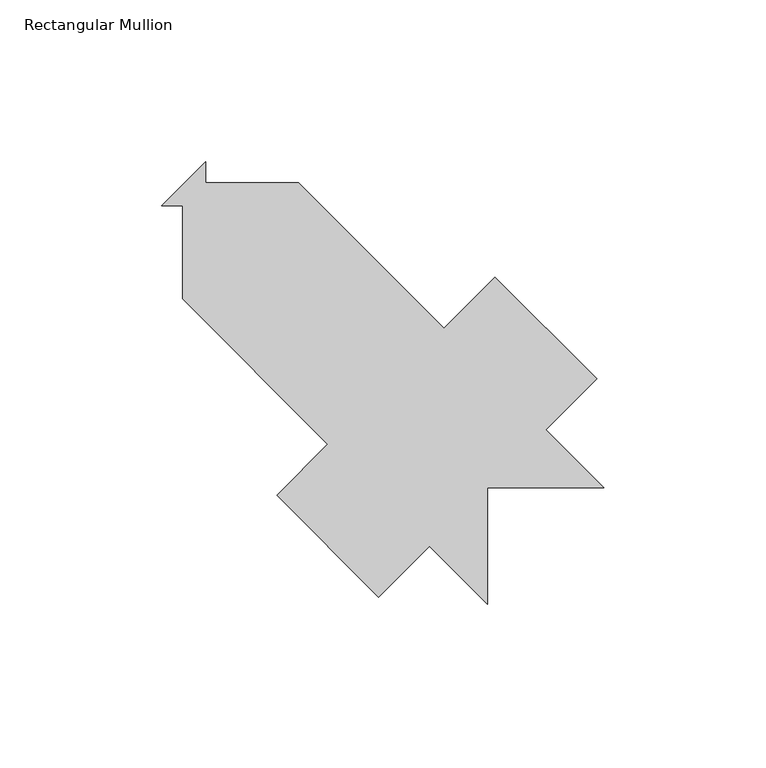
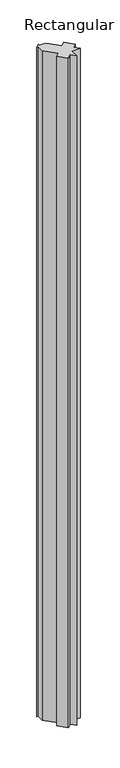
"""IFC4 building model written with IfcOpenShell, lengths in millimetres: member geometry, Rectangular Mullion."""

from ifc_helpers import new_model, si_unit, point, frame, frame_2d, origin, place, context, project, spatial, polyline, circle_curve, trimmed, segment, composite_curve, outline, extrude, source, transform, mapped, element, save


def rectangular_mullion_0ab6473c(model_context):
    return source(origin(), model_context, "Body", "SweptSolid", [
        extrude(outline(composite_curve([segment(polyline([(-35.9055594, -115.7861721), (-35.9055594, -151.6546403), (-53.8660692, -133.6941256), (-69.5815196, -149.4095717), (-101.0124117, -117.978671), (-85.2969614, -102.2632249), (-130.1888238, -57.3713502), (-130.1888238, -28.547406), (-136.5415891, -28.547406)]), True, "CONTINUOUS"), segment(trimmed(circle_curve(frame_2d((-212.9914429, 62.231678)), 118.6820215), [point((-136.5415891, -28.547406))], [point((-122.9631317, -15.1008857))], True, "CARTESIAN"), True, "CONTINUOUS"), segment(polyline([(-122.9631317, -15.1008857), (-122.9631317, -21.4508857), (-94.2982, -21.4508857), (-49.3834385, -66.3656473), (-33.6605245, -50.642729), (-2.2296238, -82.0736212), (-17.952542, -97.7965437), (0.0, -115.7490857), (-35.9055594, -115.7861721)]), True, "CONTINUOUS")], self_intersect=False)), frame((0.0, 0.0, -3048.0), z_axis=(0.0, 0.0, 1.0), x_axis=(1.0, 0.0, 0.0)), (0.0, 0.0, 1.0), 3048.0),
    ])


if __name__ == "__main__":
    model = new_model("IFC4")
    model_context = context("Model", 3, world=origin())
    ifc_project = project(units=[si_unit("LENGTHUNIT", "METRE", prefix="MILLI")], contexts=[model_context])
    site = spatial("IfcSite", under=ifc_project)
    building = spatial("IfcBuilding", under=site)
    placement = place(None, origin())
    rectangular_mullion_shape = rectangular_mullion_0ab6473c(model_context)
    element("IfcMember", 1, ObjectType="Rectangular Mullion", at=placement, inside=building, context=model_context, shape_type="MappedRepresentation", body=[
        mapped(rectangular_mullion_shape, transform((0.0, 0.0, 0.0), x_axis=(1.0, 0.0, 0.0), y_axis=(0.0, 1.0, 0.0), z_axis=(0.0, 0.0, 1.0))),
    ])
    save(model, "model.ifc")
